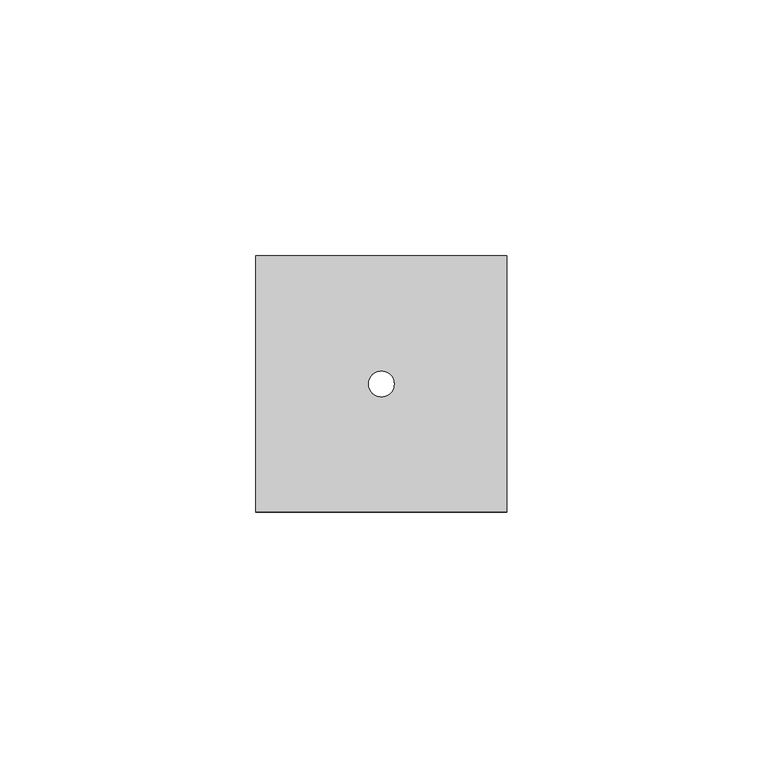
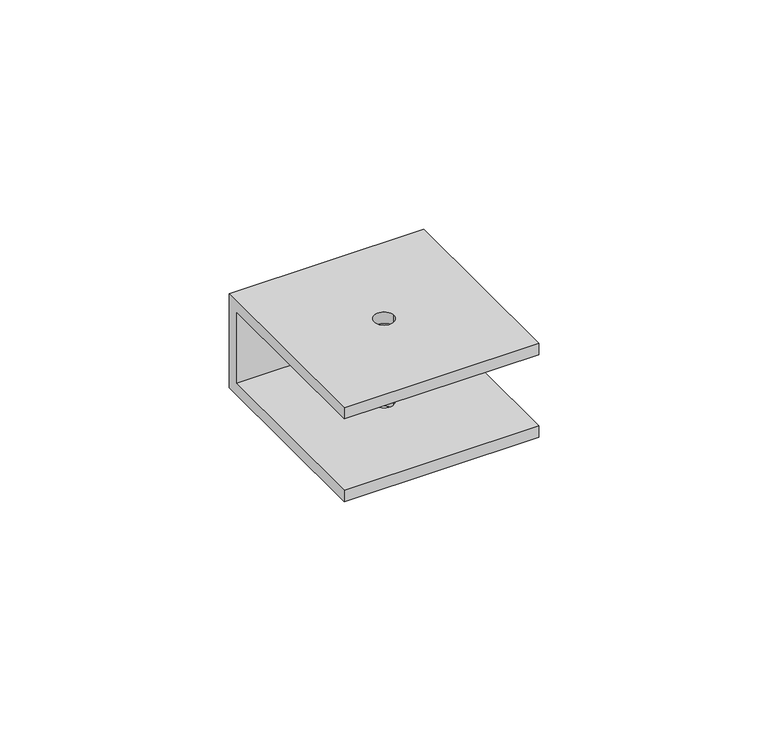
"""IFC4 building model written with IfcOpenShell, lengths in millimetres: proxy geometry."""

from ifc_helpers import new_model, si_unit, frame, origin, place, context, project, spatial, polyline, circle_curve, source, transform, mapped, element, save
from ifc_brep_helpers import plane_surface, revolved_surface, advanced_brep


def generic_models_fdf49503(model_context):
    return source(origin(), model_context, "Body", "AdvancedBrep", [
        advanced_brep(
        [(49.0, 0.0, 25.0), (49.0, -50.0, 25.0), (49.0, -50.0, 22.0), (49.0, -3.0, 22.0), (49.0, -3.0, 3.0), (49.0, -50.0, 3.0), (49.0, -50.0, 0.0), (49.0, 0.0, 0.0), (0.0, 0.0, 25.0), (0.0, 0.0, 0.0), (0.0, -50.0, 0.0), (0.0, -50.0, 3.0), (0.0, -3.0, 3.0), (0.0, -3.0, 22.0), (0.0, -50.0, 22.0), (0.0, -50.0, 25.0), (27.0, -25.0, 25.0), (22.0, -25.0, 25.0), (22.0, -25.0, 22.0), (27.0, -25.0, 22.0), (27.0, -25.0, 3.0), (22.0, -25.0, 3.0), (22.0, -25.0, 0.0), (27.0, -25.0, 0.0)],
        [
            (0, 1),
            (1, 2),
            (2, 3),
            (3, 4),
            (4, 5),
            (5, 6),
            (6, 7),
            (7, 0),
            (8, 9),
            (9, 10),
            (10, 11),
            (11, 12),
            (12, 13),
            (13, 14),
            (14, 15),
            (15, 8),
            (0, 8),
            (15, 1),
            (16, 17, circle_curve(frame((24.5, -25.0, 25.0), z_axis=(0.0, 0.0, -1.0), x_axis=(1.0, 0.0, 0.0)), 2.5)),
            (17, 16, circle_curve(frame((24.5, -25.0, 25.0), z_axis=(0.0, 0.0, -1.0), x_axis=(1.0, 0.0, 0.0)), 2.5)),
            (14, 2),
            (13, 3),
            (18, 19, circle_curve(frame((24.5, -25.0, 22.0), z_axis=(0.0, 0.0, 1.0), x_axis=(1.0, 0.0, 0.0)), 2.5)),
            (19, 18, circle_curve(frame((24.5, -25.0, 22.0), z_axis=(0.0, 0.0, 1.0), x_axis=(1.0, 0.0, 0.0)), 2.5)),
            (12, 4),
            (11, 5),
            (20, 21, circle_curve(frame((24.5, -25.0, 3.0), z_axis=(0.0, 0.0, -1.0), x_axis=(1.0, 0.0, 0.0)), 2.5)),
            (21, 20, circle_curve(frame((24.5, -25.0, 3.0), z_axis=(0.0, 0.0, -1.0), x_axis=(1.0, 0.0, 0.0)), 2.5)),
            (10, 6),
            (9, 7),
            (22, 23, circle_curve(frame((24.5, -25.0, 0.0), z_axis=(0.0, 0.0, 1.0), x_axis=(1.0, 0.0, 0.0)), 2.5)),
            (23, 22, circle_curve(frame((24.5, -25.0, 0.0), z_axis=(0.0, 0.0, 1.0), x_axis=(1.0, 0.0, 0.0)), 2.5)),
            (18, 17),
            (16, 19),
            (22, 21),
            (20, 23),
        ],
        [
            plane_surface(frame((49.0, 0.0, 25.0), z_axis=(1.0, 0.0, 0.0), x_axis=(0.0, -1.0, 0.0))),
            plane_surface(frame((0.0, 0.0, 25.0), z_axis=(-1.0, 0.0, 0.0), x_axis=(0.0, 1.0, 0.0))),
            plane_surface(frame((49.0, 0.0, 25.0), z_axis=(0.0, 0.0, 1.0), x_axis=(-1.0, 0.0, 0.0))),
            plane_surface(frame((49.0, -50.0, 25.0), z_axis=(0.0, -1.0, 0.0), x_axis=(-1.0, 0.0, 0.0))),
            plane_surface(frame((49.0, -50.0, 22.0), z_axis=(0.0, 0.0, -1.0), x_axis=(-1.0, 0.0, 0.0))),
            plane_surface(frame((49.0, -3.0, 22.0), z_axis=(0.0, -1.0, 0.0), x_axis=(-1.0, 0.0, 0.0))),
            plane_surface(frame((49.0, -3.0, 3.0), z_axis=(0.0, 0.0, 1.0), x_axis=(-1.0, 0.0, 0.0))),
            plane_surface(frame((49.0, -50.0, 3.0), z_axis=(0.0, -1.0, 0.0), x_axis=(-1.0, 0.0, 0.0))),
            plane_surface(frame((49.0, -50.0, 0.0), z_axis=(0.0, 0.0, -1.0), x_axis=(-1.0, 0.0, 0.0))),
            plane_surface(frame((49.0, 0.0, 0.0), z_axis=(0.0, 1.0, 0.0), x_axis=(-1.0, 0.0, 0.0))),
            revolved_surface(polyline([(27.0, -25.0, 25.0), (27.0, -25.0, 22.0)]), (24.5, -25.0, 0.0), (0.0, 0.0, 1.0)),
            revolved_surface(polyline([(27.0, -25.0, 3.0), (27.0, -25.0, 0.0)]), (24.5, -25.0, 0.0), (0.0, 0.0, 1.0)),
        ],
        [
            (0, [[1, 2, 3, 4, 5, 6, 7, 8]]),
            (1, [[9, 10, 11, 12, 13, 14, 15, 16]]),
            (2, [[-1, 17, -16, 18], [19, 20]]),
            (3, [[-2, -18, -15, 21]]),
            (4, [[-3, -21, -14, 22], [23, 24]]),
            (5, [[-4, -22, -13, 25]]),
            (6, [[-5, -25, -12, 26], [27, 28]]),
            (7, [[-6, -26, -11, 29]]),
            (8, [[-7, -29, -10, 30], [31, 32]]),
            (9, [[-8, -30, -9, -17]]),
            (10, [[33, -19, 34, -23]]),
            (11, [[35, -27, 36, -31]]),
            (10, [[-33, -24, -34, -20]]),
            (11, [[-35, -32, -36, -28]]),
        ],
    ),
    ])


if __name__ == "__main__":
    model = new_model("IFC4")
    model_context = context("Model", 3, world=origin())
    ifc_project = project(units=[si_unit("LENGTHUNIT", "METRE", prefix="MILLI")], contexts=[model_context])
    site = spatial("IfcSite", under=ifc_project)
    building = spatial("IfcBuilding", under=site)
    placement = place(None, origin())
    generic_models_shape = generic_models_fdf49503(model_context)
    element("IfcBuildingElementProxy", 1, Name="Generic Models", at=placement, inside=building, context=model_context, shape_type="MappedRepresentation", body=[
        mapped(generic_models_shape, transform((0.0, 0.0, 0.0), x_axis=(1.0, 0.0, 0.0), y_axis=(0.0, 1.0, 0.0), z_axis=(0.0, 0.0, 1.0))),
    ])
    save(model, "model.ifc")
